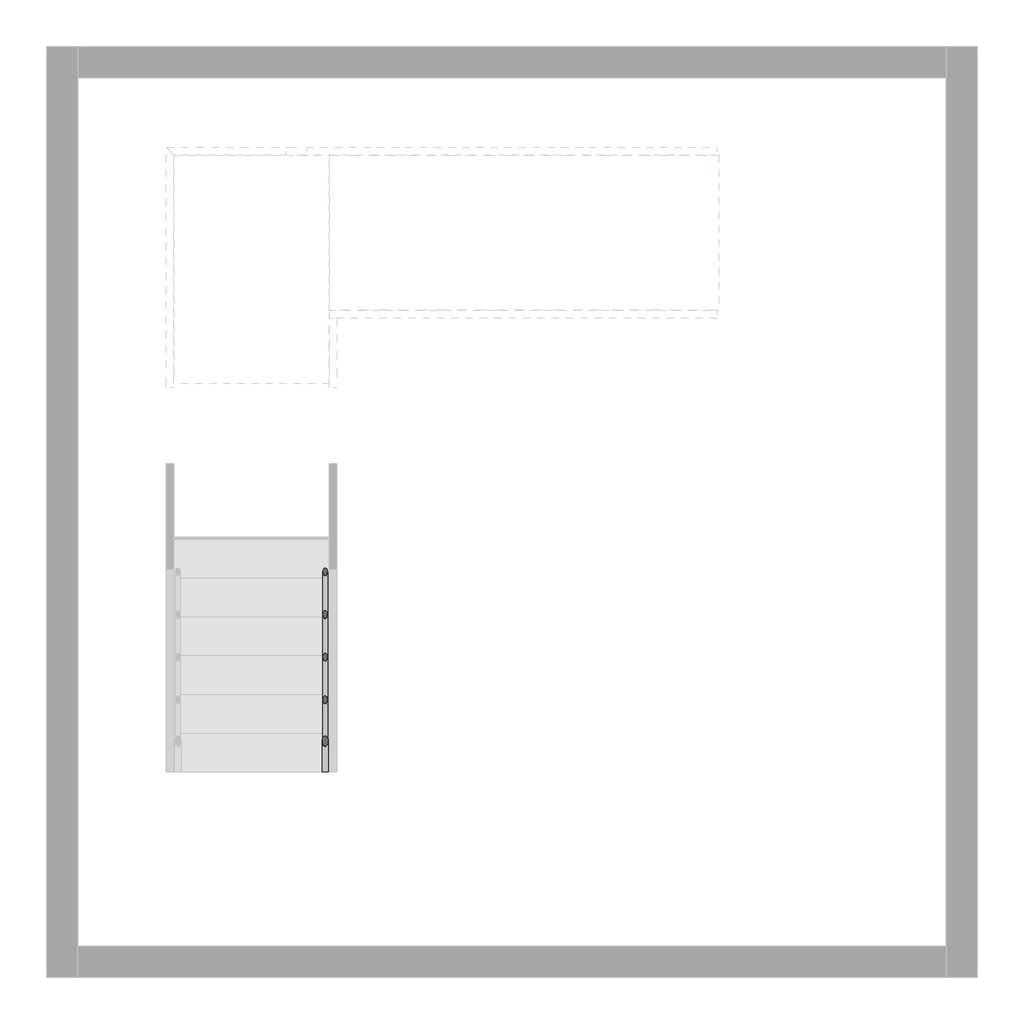
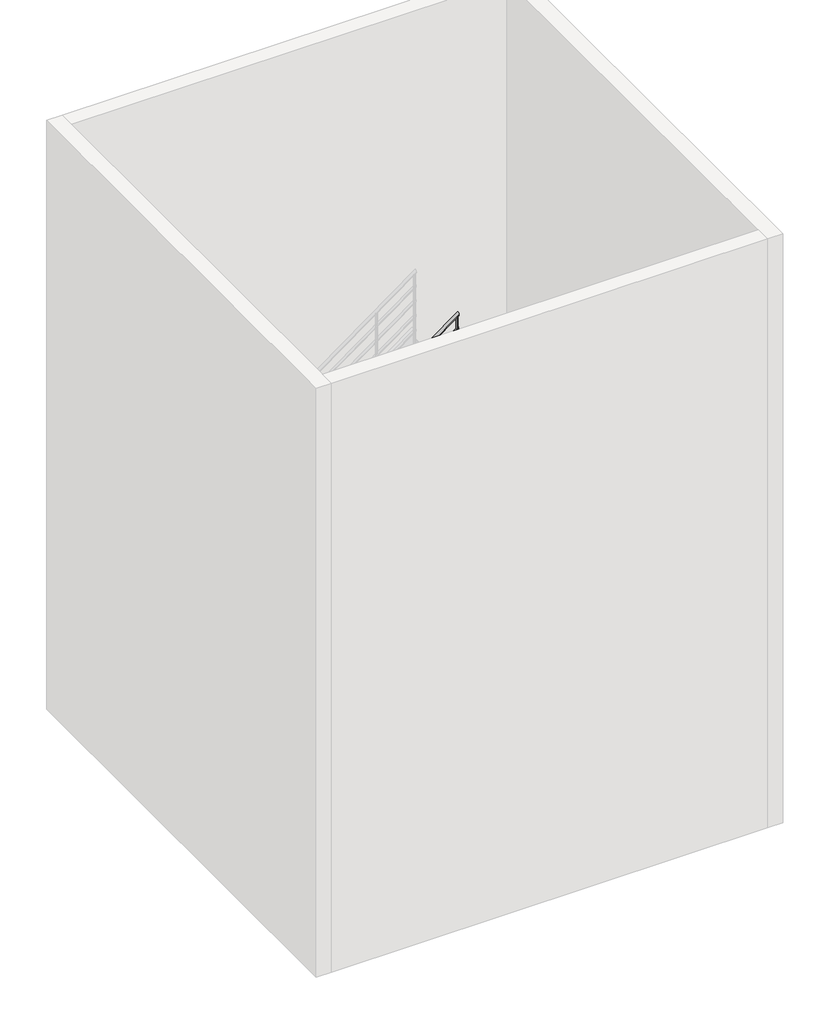
# One storey, part 5 of 7: 1 railing.
"""IFC4 building model written with IfcOpenShell, lengths in millimetres."""

import ifcopenshell
import ifcopenshell.guid

model = None  # the IFC model being written
_history = None  # IfcOwnerHistory: only IFC2X3 demands one
_inside = {}  # id of a spatial element -> (the spatial element, [elements in it])
_under = {}  # id of a project, library or spatial element -> (it, [spatial elements below it])
_declared = {}  # id of a project -> (the project, [libraries it declares])
_typed = {}  # id of a type object -> (the type object, [elements of that type])
_made_of = {}  # id of a material, layer set ... -> (it, [elements and type objects made of it])


def new_model(schema):
    """Start an empty IFC model of exactly this schema.

    Asked for "IFC4X3", IfcOpenShell would pick the latest addendum, in which some entities
    have other attributes; the version numbers below select the first issue.
    IFC2X3 requires an IfcOwnerHistory on every rooted entity: one is made here for all.
    """
    global model, _history
    if schema == "IFC4X3":
        model = ifcopenshell.file(schema_version=(4, 3, 0, 0))
    else:
        model = ifcopenshell.file(schema=schema)
    _inside.clear()
    _under.clear()
    _declared.clear()
    _typed.clear()
    _made_of.clear()
    _history = None
    if model.schema == "IFC2X3":
        org = make("IfcOrganization", Name="unknown")
        user = make(
            "IfcPersonAndOrganization",
            ThePerson=make("IfcPerson", FamilyName="unknown"),
            TheOrganization=org,
        )
        app = make(
            "IfcApplication",
            ApplicationDeveloper=org,
            Version="unknown",
            ApplicationFullName="unknown",
            ApplicationIdentifier="unknown",
        )
        _history = make(
            "IfcOwnerHistory",
            OwningUser=user,
            OwningApplication=app,
            ChangeAction="ADDED",
            CreationDate=0,
        )
    return model


def make(cls, **values):
    """One entity of the class cls with the attributes given. An attribute that is None is left unset."""
    return model.create_entity(
        cls, **{name: value for name, value in values.items() if value is not None}
    )


def rooted(cls, **values):
    """An entity with a GlobalId (a new one), such as an element, a storey or a relation."""
    return make(cls, GlobalId=ifcopenshell.guid.new(), OwnerHistory=_history, **values)


def si_unit(unit_type, name, prefix=None):
    """IfcSIUnit, for example si_unit("LENGTHUNIT", "METRE", prefix="MILLI")."""
    return make("IfcSIUnit", UnitType=unit_type, Prefix=prefix, Name=name)


def assignment(units):
    """IfcUnitAssignment: the units of a project."""
    return None if units is None else make("IfcUnitAssignment", Units=units)


def point(xyz):
    """IfcCartesianPoint."""
    return None if xyz is None else make("IfcCartesianPoint", Coordinates=xyz)


def direction(xyz):
    """IfcDirection."""
    return None if xyz is None else make("IfcDirection", DirectionRatios=xyz)


def frame(location, z_axis=None, x_axis=None):
    """IfcAxis2Placement3D, a coordinate frame: its origin and axes. An axis left out is left unset."""
    return make(
        "IfcAxis2Placement3D",
        Location=point(location),
        Axis=direction(z_axis),
        RefDirection=direction(x_axis),
    )


def frame_2d(location, x_axis=None):
    """IfcAxis2Placement2D, a coordinate frame in the plane: its origin and x axis."""
    return make(
        "IfcAxis2Placement2D", Location=point(location), RefDirection=direction(x_axis)
    )


def origin():
    """The frame at (0, 0, 0) with its axes left unset."""
    return frame((0.0, 0.0, 0.0))


def place(relative_to, where):
    """IfcLocalPlacement: puts the frame where relative to a parent placement (None: the world)."""
    return make(
        "IfcLocalPlacement", PlacementRelTo=relative_to, RelativePlacement=where
    )


def context(
    kind, dimensions, precision=None, world=None, true_north=None, identifier=None
):
    """IfcGeometricRepresentationContext, for example the 3D "Model" context."""
    return make(
        "IfcGeometricRepresentationContext",
        ContextIdentifier=identifier,
        ContextType=kind,
        CoordinateSpaceDimension=dimensions,
        Precision=precision,
        WorldCoordinateSystem=world,
        TrueNorth=true_north,
    )


def project(units=None, contexts=None):
    """IfcProject with its units and contexts."""
    return rooted(
        "IfcProject",
        Name="project",
        RepresentationContexts=contexts,
        UnitsInContext=assignment(units),
    )


def spatial(cls, under=None, at=None, **own):
    """A site, building, storey or space (cls), placed at a placement, below another one or the project."""
    s = rooted(cls, ObjectPlacement=at, **own)
    if under is not None:
        _under.setdefault(under.id(), (under, []))[1].append(s)
    return s


def circle_curve(where, radius):
    """IfcCircle in the frame where."""
    return make("IfcCircle", Position=where, Radius=radius)


def ellipse_curve(where, semi_axis1, semi_axis2):
    """IfcEllipse in the frame where."""
    return make(
        "IfcEllipse", Position=where, SemiAxis1=semi_axis1, SemiAxis2=semi_axis2
    )


def trimmed(basis, trim1, trim2, sense, master):
    """IfcTrimmedCurve: the piece of a basis curve between two trims."""
    return make(
        "IfcTrimmedCurve",
        BasisCurve=basis,
        Trim1=trim1,
        Trim2=trim2,
        SenseAgreement=sense,
        MasterRepresentation=master,
    )


def segment(curve, same_sense, transition):
    """IfcCompositeCurveSegment."""
    return make(
        "IfcCompositeCurveSegment",
        Transition=transition,
        SameSense=same_sense,
        ParentCurve=curve,
    )


def composite_curve(segments, self_intersect=None):
    """IfcCompositeCurve: segments joined end to end."""
    return make("IfcCompositeCurve", Segments=segments, SelfIntersect=self_intersect)


def outline(outer, holes=None, kind="AREA"):
    """IfcArbitraryClosedProfileDef: a profile drawn as a closed curve; with holes, ...WithVoids."""
    if holes is None:
        return make("IfcArbitraryClosedProfileDef", ProfileType=kind, OuterCurve=outer)
    return make(
        "IfcArbitraryProfileDefWithVoids",
        ProfileType=kind,
        OuterCurve=outer,
        InnerCurves=holes,
    )


def extrude(swept, where, along, depth):
    """IfcExtrudedAreaSolid: the profile swept, set in the frame where, extruded along a direction by depth."""
    return make(
        "IfcExtrudedAreaSolid",
        SweptArea=swept,
        Position=where,
        ExtrudedDirection=direction(along),
        Depth=depth,
    )


def shape(context_of_items, identifier, shape_type, items):
    """IfcShapeRepresentation: the items that make up one representation, for example the "Body"."""
    return make(
        "IfcShapeRepresentation",
        ContextOfItems=context_of_items,
        RepresentationIdentifier=identifier,
        RepresentationType=shape_type,
        Items=items,
    )


def made_of(thing, what):
    """Note that an element or type object is made of a material, layer set ...; save() writes the relation."""
    if what is not None:
        _made_of.setdefault(what.id(), (what, []))[1].append(thing)
    return thing


def element(
    cls,
    number,
    at=None,
    inside=None,
    cuts=None,
    type_object=None,
    material=None,
    context=None,
    identifier="Body",
    shape_type=None,
    held_by="IfcProductDefinitionShape",
    body=None,
    shapes=None,
    **own,
):
    """One element of the class cls, such as IfcWall. Its Tag is "e" and its number.

    at: its placement. inside: the storey or other place that contains it. cuts: it is an
    opening in that element (IfcRelVoidsElement). A single representation is given by context,
    identifier, shape_type and body (its items); several are given by shapes. held_by: the class
    of the entity that holds the representations. save() writes the other relations.
    """
    e = rooted(cls, Tag="e%d" % number, ObjectPlacement=at, **own)
    if body is not None:
        shapes = [shape(context, identifier, shape_type, body)]
    if shapes is not None:
        e.Representation = make(held_by, Representations=shapes)
    if inside is not None:
        _inside.setdefault(inside.id(), (inside, []))[1].append(e)
    if cuts is not None:
        rooted(
            "IfcRelVoidsElement", RelatingBuildingElement=cuts, RelatedOpeningElement=e
        )
    if type_object is not None:
        _typed.setdefault(type_object.id(), (type_object, []))[1].append(e)
    return made_of(e, material)


def aggregate(whole, parts):
    """IfcRelAggregates: a whole, such as a stair, and the parts it consists of."""
    return rooted("IfcRelAggregates", RelatingObject=whole, RelatedObjects=parts)


def save(model, path):
    """Write the relations noted so far, then the file.

    IfcRelAggregates (storeys below a building ...), IfcRelContainedInSpatialStructure (elements
    in a storey), IfcRelDefinesByType, IfcRelAssociatesMaterial and IfcRelDeclares: one each for
    every whole, place, type object, material and project.
    """
    for whole, parts in _under.values():
        aggregate(whole, parts)
    for where, things in _inside.values():
        rooted(
            "IfcRelContainedInSpatialStructure",
            RelatedElements=things,
            RelatingStructure=where,
        )
    for kind, things in _typed.values():
        rooted("IfcRelDefinesByType", RelatedObjects=things, RelatingType=kind)
    for what, things in _made_of.values():
        rooted("IfcRelAssociatesMaterial", RelatedObjects=things, RelatingMaterial=what)
    for by, libraries in _declared.values():
        rooted("IfcRelDeclares", RelatingContext=by, RelatedDefinitions=libraries)
    model.write(path)


def plane_surface(at):
    """IfcPlane: the flat surface through the origin of the frame at, square to its z axis."""
    return make("IfcPlane", Position=at)


def cylinder_surface(at, radius):
    """IfcCylindricalSurface: all points at the distance radius from the z axis of the frame at."""
    return make("IfcCylindricalSurface", Position=at, Radius=radius)


def advanced_brep(points, edges, surfaces, faces):
    """IfcAdvancedBrep: a solid bounded by faces that lie on surfaces and meet in shared edges.

    An edge is (start, end): straight between two places in points (the first is 0);
    or (start, end, curve); or (start, end, curve, False) where it runs against its curve.
    A face is (place in surfaces, loops), or (place, loops, False) where it looks against
    its surface's normal. A loop lists edges by number (the first is 1), with a minus sign
    where the edge is run from its end to its start. The first loop is the outer one.
    """
    corners = [point(p) for p in points]
    vertices = [make("IfcVertexPoint", VertexGeometry=c) for c in corners]
    made = []
    for start, end, *more in edges:
        made.append(
            make(
                "IfcEdgeCurve",
                EdgeStart=vertices[start],
                EdgeEnd=vertices[end],
                EdgeGeometry=more[0] if more else make("IfcPolyline", Points=[corners[start], corners[end]]),
                SameSense=more[1] if len(more) > 1 else True,
            )
        )
    hull = []
    for where, loops, *sense in faces:
        bounds = []
        for j, loop in enumerate(loops):
            ring = [make("IfcOrientedEdge", EdgeElement=made[abs(k) - 1], Orientation=k > 0) for k in loop]
            bounds.append(
                make(
                    "IfcFaceOuterBound" if j == 0 else "IfcFaceBound",
                    Bound=make("IfcEdgeLoop", EdgeList=ring),
                    Orientation=True,
                )
            )
        hull.append(make("IfcAdvancedFace", Bounds=bounds, FaceSurface=surfaces[where], SameSense=sense[0] if sense else True))
    return make("IfcAdvancedBrep", Outer=make("IfcClosedShell", CfsFaces=hull))


model = new_model("IFC4")

# Units and contexts
model_context = context("Model", 3, world=origin())
ifc_project = project(units=[si_unit("LENGTHUNIT", "METRE", prefix="MILLI")], contexts=[model_context])

# Site, building, storey
site = spatial("IfcSite", under=ifc_project)
building = spatial("IfcBuilding", under=site)
storey = spatial("IfcBuildingStorey", under=building, Elevation=0.0)

# Railing
placement = place(None, origin())
element("IfcRailing", 1, at=placement, inside=storey, context=model_context, shape_type="SolidModel", body=[
    advanced_brep(
    [(5674.1324543, -20822.7019092, 1057.0882354), (5634.1324543, -20822.7019092, 1057.0882354), (5674.1324543, -18316.198233, 2880.0), (5634.1324543, -18316.198233, 2880.0), (5674.1324543, -17822.8676251, 2880.0), (5634.1324543, -17822.8676251, 2880.0)],
    [
        (0, 1, ellipse_curve(frame((5654.1324543, -20822.7019092, 1057.0882354), z_axis=(0.0, -1.0, 0.0), x_axis=(0.0, 0.0, -1.0)), 24.7299464, 20.0)),
        (1, 0, ellipse_curve(frame((5654.1324543, -20822.7019092, 1057.0882354), z_axis=(0.0, -1.0, 0.0), x_axis=(0.0, 0.0, -1.0)), 24.7299464, 20.0)),
        (0, 2),
        (2, 3, ellipse_curve(frame((5654.1324543, -18316.198233, 2880.0), z_axis=(0.0, -0.9509826718461248, -0.3092441718907663), x_axis=(0.0, 0.309244171890767, -0.9509826718461245)), 21.0308774, 20.0)),
        (3, 1),
        (3, 2, ellipse_curve(frame((5654.1324543, -18316.198233, 2880.0), z_axis=(0.0, -0.9509826718461248, -0.3092441718907663), x_axis=(0.0, 0.309244171890767, -0.9509826718461245)), 21.0308774, 20.0)),
        (4, 5, ellipse_curve(frame((5654.1324543, -17822.8676251, 2880.0), z_axis=(0.0, 0.7071067811865476, 0.7071067811865476), x_axis=(0.0, -0.7071067811865474, 0.7071067811865478)), 28.2842712, 20.0)),
        (5, 4, ellipse_curve(frame((5654.1324543, -17822.8676251, 2880.0), z_axis=(0.0, 0.7071067811865476, 0.7071067811865476), x_axis=(0.0, -0.7071067811865474, 0.7071067811865478)), 28.2842712, 20.0)),
        (2, 4),
        (5, 3),
    ],
    [
        plane_surface(frame((5654.1324543, -20822.7019092, 1081.8181818), z_axis=(0.0, -1.0, 0.0), x_axis=(0.0, 0.0, 1.0))),
        cylinder_surface(frame((5654.1324543, -20810.9384753, 1065.6434601), z_axis=(0.0, -0.8087360843031884, -0.5881716976750465), x_axis=(-1.0, 0.0, 0.0)), 20.0),
        plane_surface(frame((5654.1324543, -17842.8676251, 2900.0), z_axis=(0.0, 0.7071067811865476, 0.7071067811865476), x_axis=(1.0, 0.0, 0.0))),
        cylinder_surface(frame((5654.1324543, -18322.7019092, 2880.0), z_axis=(0.0, -1.0, 0.0), x_axis=(-1.0, 0.0, 0.0)), 20.0),
    ],
    [
        (0, [[1, 2]]),
        (1, [[-1, 3, 4, 5]]),
        (1, [[-2, -5, 6, -3]]),
        (2, [[7, 8]]),
        (3, [[-4, 9, -8, 10]]),
        (3, [[-6, -10, -7, -9]]),
    ],
),
    advanced_brep(
    [(5674.1324543, -17822.8676251, 2880.0), (5634.1324543, -17822.8676251, 2880.0), (5674.1324543, -17822.8676251, 3028.4310163), (5634.1324543, -17822.8676251, 3048.8)],
    [
        (0, 1, ellipse_curve(frame((5654.1324543, -17822.8676251, 2880.0), z_axis=(0.0, -0.7071067811865476, -0.7071067811865476), x_axis=(0.0, 0.7071067811865476, -0.7071067811865474)), 28.2842712, 20.0)),
        (1, 0, ellipse_curve(frame((5654.1324543, -17822.8676251, 2880.0), z_axis=(0.0, -0.7071067811865476, -0.7071067811865476), x_axis=(0.0, 0.7071067811865476, -0.7071067811865474)), 28.2842712, 20.0)),
        (2, 3, ellipse_curve(frame((5654.1324543, -17822.8676251, 3038.6155082), z_axis=(0.45377764506691687, 0.0, 0.8911149470396753), x_axis=(0.8911149470396753, 0.0, -0.45377764506691665)), 22.4437937, 20.0)),
        (3, 2, ellipse_curve(frame((5654.1324543, -17822.8676251, 3038.6155082), z_axis=(0.45377764506691687, 0.0, 0.8911149470396753), x_axis=(0.8911149470396753, 0.0, -0.45377764506691665)), 22.4437937, 20.0)),
        (0, 2),
        (3, 1),
    ],
    [
        plane_surface(frame((5654.1324543, -17822.8676251, 2880.0), z_axis=(0.0, -0.7071067811865476, -0.7071067811865476), x_axis=(1.0, 0.0, 0.0))),
        plane_surface(frame((5654.1324543, -17822.8676251, 3038.6155082), z_axis=(0.45377764506691687, 0.0, 0.8911149470396753), x_axis=(0.8911149470396753, 0.0, -0.45377764506691687))),
        cylinder_surface(frame((5654.1324543, -17822.8676251, 2880.0), z_axis=(0.0, 0.0, -1.0), x_axis=(-1.0, 0.0, 0.0)), 20.0),
    ],
    [
        (0, [[1, 2]]),
        (1, [[3, 4]]),
        (2, [[-1, 5, -4, 6]]),
        (2, [[-2, -6, -3, -5]]),
    ],
),
    advanced_brep(
    [(5654.1324543, -17842.8676251, 3038.6155082), (5654.1324543, -17802.8676251, 3038.6155082), (8179.5324543, -17842.8676251, 4875.2700536), (8179.5324543, -17802.8676251, 4875.2700536)],
    [
        (0, 1, ellipse_curve(frame((5654.1324543, -17822.8676251, 3038.6155082), z_axis=(-0.45377764506691687, 0.0, -0.8911149470396753), x_axis=(-0.8911149470396752, 0.0, 0.4537776450669168)), 22.4437937, 20.0)),
        (1, 0, ellipse_curve(frame((5654.1324543, -17822.8676251, 3038.6155082), z_axis=(-0.45377764506691687, 0.0, -0.8911149470396753), x_axis=(-0.8911149470396752, 0.0, 0.4537776450669168)), 22.4437937, 20.0)),
        (2, 3, ellipse_curve(frame((8179.5324543, -17822.8676251, 4875.2700536), z_axis=(1.0, 0.0, 0.0), x_axis=(0.0, 0.0, -1.0)), 24.7299464, 20.0)),
        (3, 2, ellipse_curve(frame((8179.5324543, -17822.8676251, 4875.2700536), z_axis=(1.0, 0.0, 0.0), x_axis=(0.0, 0.0, -1.0)), 24.7299464, 20.0)),
        (0, 2),
        (3, 1),
    ],
    [
        plane_surface(frame((5634.1324543, -17822.8676251, 3048.8), z_axis=(-0.45377764506691687, 0.0, -0.8911149470396753), x_axis=(0.8911149470396753, 0.0, -0.45377764506691687))),
        plane_surface(frame((8179.5324543, -17822.8676251, 4900.0), z_axis=(1.0, 0.0, 0.0), x_axis=(0.0, 1.0, 0.0))),
        cylinder_surface(frame((5645.8958882, -17822.8676251, 3032.6252783), z_axis=(-0.8087360843031884, 0.0, -0.5881716976750465), x_axis=(0.0, 1.0, 0.0)), 20.0),
    ],
    [
        (0, [[1, 2]]),
        (1, [[3, 4]]),
        (2, [[-1, 5, -4, 6]]),
        (2, [[-2, -6, -3, -5]]),
    ],
),
    advanced_brep(
    [(5639.1324543, -20822.7019092, 863.270722), (5669.1324543, -20822.7019092, 863.270722), (5639.1324543, -18322.7019092, 2681.4525402), (5669.1324543, -18322.7019092, 2681.4525402)],
    [
        (0, 1, ellipse_curve(frame((5654.1324543, -20822.7019092, 863.270722), z_axis=(0.0, -1.0, 0.0), x_axis=(0.0, 0.0, -1.0)), 18.5474598, 15.0)),
        (1, 0, ellipse_curve(frame((5654.1324543, -20822.7019092, 863.270722), z_axis=(0.0, -1.0, 0.0), x_axis=(0.0, 0.0, -1.0)), 18.5474598, 15.0)),
        (2, 3, ellipse_curve(frame((5654.1324543, -18322.7019092, 2681.4525402), z_axis=(0.0, 1.0, 0.0), x_axis=(0.0, 0.0, -1.0)), 18.5474598, 15.0)),
        (3, 2, ellipse_curve(frame((5654.1324543, -18322.7019092, 2681.4525402), z_axis=(0.0, 1.0, 0.0), x_axis=(0.0, 0.0, -1.0)), 18.5474598, 15.0)),
        (0, 2),
        (3, 1),
    ],
    [
        plane_surface(frame((5654.1324543, -20822.7019092, 881.8181818), z_axis=(0.0, -1.0, 0.0), x_axis=(0.0, 0.0, 1.0))),
        plane_surface(frame((5654.1324543, -18322.7019092, 2700.0), z_axis=(0.0, 1.0, 0.0), x_axis=(0.0, 0.0, 1.0))),
        cylinder_surface(frame((5654.1324543, -20813.8793338, 869.6871406), z_axis=(0.0, -0.8087360843031884, -0.5881716976750465), x_axis=(1.0, 0.0, 0.0)), 15.0),
    ],
    [
        (0, [[1, 2]]),
        (1, [[3, 4]]),
        (2, [[-1, 5, -4, 6]]),
        (2, [[-2, -6, -3, -5]]),
    ],
),
    advanced_brep(
    [(5639.1324543, -18322.7019092, 2685.0), (5669.1324543, -18322.7019092, 2685.0), (5639.1324543, -17837.8676251, 2685.0), (5669.1324543, -17837.8676251, 2685.0)],
    [
        (0, 1, circle_curve(frame((5654.1324543, -18322.7019092, 2685.0), z_axis=(0.0, -1.0, 0.0), x_axis=(1.0, 0.0, 0.0)), 15.0)),
        (1, 0, circle_curve(frame((5654.1324543, -18322.7019092, 2685.0), z_axis=(0.0, -1.0, 0.0), x_axis=(1.0, 0.0, 0.0)), 15.0)),
        (2, 3, circle_curve(frame((5654.1324543, -17837.8676251, 2685.0), z_axis=(0.0, 1.0, 0.0), x_axis=(1.0, 0.0, 0.0)), 15.0)),
        (3, 2, circle_curve(frame((5654.1324543, -17837.8676251, 2685.0), z_axis=(0.0, 1.0, 0.0), x_axis=(1.0, 0.0, 0.0)), 15.0)),
        (0, 2),
        (3, 1),
    ],
    [
        plane_surface(frame((5654.1324543, -18322.7019092, 2700.0), z_axis=(0.0, -1.0, 0.0), x_axis=(0.0, 0.0, 1.0))),
        plane_surface(frame((5654.1324543, -17837.8676251, 2700.0), z_axis=(0.0, 1.0, 0.0), x_axis=(0.0, 0.0, 1.0))),
        cylinder_surface(frame((5654.1324543, -18322.7019092, 2685.0), z_axis=(0.0, -1.0, 0.0), x_axis=(1.0, 0.0, 0.0)), 15.0),
    ],
    [
        (0, [[1, 2]]),
        (1, [[3, 4]]),
        (2, [[-1, 5, -4, 6]]),
        (2, [[-2, -6, -3, -5]]),
    ],
),
    advanced_brep(
    [(5639.1324543, -17807.8676251, 2833.8889039), (5639.1324543, -17837.8676251, 2833.8889039), (8179.5324543, -17807.8676251, 4681.4525402), (8179.5324543, -17837.8676251, 4681.4525402)],
    [
        (0, 1, ellipse_curve(frame((5639.1324543, -17822.8676251, 2833.8889039), z_axis=(-1.0, 0.0, 0.0), x_axis=(0.0, 0.0, -1.0)), 18.5474598, 15.0)),
        (1, 0, ellipse_curve(frame((5639.1324543, -17822.8676251, 2833.8889039), z_axis=(-1.0, 0.0, 0.0), x_axis=(0.0, 0.0, -1.0)), 18.5474598, 15.0)),
        (2, 3, ellipse_curve(frame((8179.5324543, -17822.8676251, 4681.4525402), z_axis=(1.0, 0.0, 0.0), x_axis=(0.0, 0.0, -1.0)), 18.5474598, 15.0)),
        (3, 2, ellipse_curve(frame((8179.5324543, -17822.8676251, 4681.4525402), z_axis=(1.0, 0.0, 0.0), x_axis=(0.0, 0.0, -1.0)), 18.5474598, 15.0)),
        (0, 2),
        (3, 1),
    ],
    [
        plane_surface(frame((5639.1324543, -17822.8676251, 2852.4363636), z_axis=(-1.0, 0.0, 0.0), x_axis=(0.0, 1.0, 0.0))),
        plane_surface(frame((8179.5324543, -17822.8676251, 4700.0), z_axis=(1.0, 0.0, 0.0), x_axis=(0.0, 1.0, 0.0))),
        cylinder_surface(frame((5647.9550297, -17822.8676251, 2840.3053224), z_axis=(-0.8087360843031884, 0.0, -0.5881716976750465), x_axis=(0.0, -1.0, 0.0)), 15.0),
    ],
    [
        (0, [[1, 2]]),
        (1, [[3, 4]]),
        (2, [[-1, 5, -4, 6]]),
        (2, [[-2, -6, -3, -5]]),
    ],
),
    advanced_brep(
    [(5639.1324543, -20822.7019092, 663.270722), (5669.1324543, -20822.7019092, 663.270722), (5639.1324543, -18322.7019092, 2481.4525402), (5669.1324543, -18322.7019092, 2481.4525402)],
    [
        (0, 1, ellipse_curve(frame((5654.1324543, -20822.7019092, 663.270722), z_axis=(0.0, -1.0, 0.0), x_axis=(0.0, 0.0, -1.0)), 18.5474598, 15.0)),
        (1, 0, ellipse_curve(frame((5654.1324543, -20822.7019092, 663.270722), z_axis=(0.0, -1.0, 0.0), x_axis=(0.0, 0.0, -1.0)), 18.5474598, 15.0)),
        (2, 3, ellipse_curve(frame((5654.1324543, -18322.7019092, 2481.4525402), z_axis=(0.0, 1.0, 0.0), x_axis=(0.0, 0.0, -1.0)), 18.5474598, 15.0)),
        (3, 2, ellipse_curve(frame((5654.1324543, -18322.7019092, 2481.4525402), z_axis=(0.0, 1.0, 0.0), x_axis=(0.0, 0.0, -1.0)), 18.5474598, 15.0)),
        (0, 2),
        (3, 1),
    ],
    [
        plane_surface(frame((5654.1324543, -20822.7019092, 681.8181818), z_axis=(0.0, -1.0, 0.0), x_axis=(0.0, 0.0, 1.0))),
        plane_surface(frame((5654.1324543, -18322.7019092, 2500.0), z_axis=(0.0, 1.0, 0.0), x_axis=(0.0, 0.0, 1.0))),
        cylinder_surface(frame((5654.1324543, -20813.8793338, 669.6871406), z_axis=(0.0, -0.8087360843031884, -0.5881716976750465), x_axis=(1.0, 0.0, 0.0)), 15.0),
    ],
    [
        (0, [[1, 2]]),
        (1, [[3, 4]]),
        (2, [[-1, 5, -4, 6]]),
        (2, [[-2, -6, -3, -5]]),
    ],
),
    advanced_brep(
    [(5639.1324543, -18322.7019092, 2485.0), (5669.1324543, -18322.7019092, 2485.0), (5639.1324543, -17837.8676251, 2485.0), (5669.1324543, -17837.8676251, 2485.0)],
    [
        (0, 1, circle_curve(frame((5654.1324543, -18322.7019092, 2485.0), z_axis=(0.0, -1.0, 0.0), x_axis=(1.0, 0.0, 0.0)), 15.0)),
        (1, 0, circle_curve(frame((5654.1324543, -18322.7019092, 2485.0), z_axis=(0.0, -1.0, 0.0), x_axis=(1.0, 0.0, 0.0)), 15.0)),
        (2, 3, circle_curve(frame((5654.1324543, -17837.8676251, 2485.0), z_axis=(0.0, 1.0, 0.0), x_axis=(1.0, 0.0, 0.0)), 15.0)),
        (3, 2, circle_curve(frame((5654.1324543, -17837.8676251, 2485.0), z_axis=(0.0, 1.0, 0.0), x_axis=(1.0, 0.0, 0.0)), 15.0)),
        (0, 2),
        (3, 1),
    ],
    [
        plane_surface(frame((5654.1324543, -18322.7019092, 2500.0), z_axis=(0.0, -1.0, 0.0), x_axis=(0.0, 0.0, 1.0))),
        plane_surface(frame((5654.1324543, -17837.8676251, 2500.0), z_axis=(0.0, 1.0, 0.0), x_axis=(0.0, 0.0, 1.0))),
        cylinder_surface(frame((5654.1324543, -18322.7019092, 2485.0), z_axis=(0.0, -1.0, 0.0), x_axis=(1.0, 0.0, 0.0)), 15.0),
    ],
    [
        (0, [[1, 2]]),
        (1, [[3, 4]]),
        (2, [[-1, 5, -4, 6]]),
        (2, [[-2, -6, -3, -5]]),
    ],
),
    advanced_brep(
    [(5639.1324543, -17807.8676251, 2633.8889039), (5639.1324543, -17837.8676251, 2633.8889039), (8179.5324543, -17807.8676251, 4481.4525402), (8179.5324543, -17837.8676251, 4481.4525402)],
    [
        (0, 1, ellipse_curve(frame((5639.1324543, -17822.8676251, 2633.8889039), z_axis=(-1.0, 0.0, 0.0), x_axis=(0.0, 0.0, -1.0)), 18.5474598, 15.0)),
        (1, 0, ellipse_curve(frame((5639.1324543, -17822.8676251, 2633.8889039), z_axis=(-1.0, 0.0, 0.0), x_axis=(0.0, 0.0, -1.0)), 18.5474598, 15.0)),
        (2, 3, ellipse_curve(frame((8179.5324543, -17822.8676251, 4481.4525402), z_axis=(1.0, 0.0, 0.0), x_axis=(0.0, 0.0, -1.0)), 18.5474598, 15.0)),
        (3, 2, ellipse_curve(frame((8179.5324543, -17822.8676251, 4481.4525402), z_axis=(1.0, 0.0, 0.0), x_axis=(0.0, 0.0, -1.0)), 18.5474598, 15.0)),
        (0, 2),
        (3, 1),
    ],
    [
        plane_surface(frame((5639.1324543, -17822.8676251, 2652.4363636), z_axis=(-1.0, 0.0, 0.0), x_axis=(0.0, 1.0, 0.0))),
        plane_surface(frame((8179.5324543, -17822.8676251, 4500.0), z_axis=(1.0, 0.0, 0.0), x_axis=(0.0, 1.0, 0.0))),
        cylinder_surface(frame((5647.9550297, -17822.8676251, 2640.3053224), z_axis=(-0.8087360843031884, 0.0, -0.5881716976750465), x_axis=(0.0, -1.0, 0.0)), 15.0),
    ],
    [
        (0, [[1, 2]]),
        (1, [[3, 4]]),
        (2, [[-1, 5, -4, 6]]),
        (2, [[-2, -6, -3, -5]]),
    ],
),
    advanced_brep(
    [(5639.1324543, -20822.7019092, 463.270722), (5669.1324543, -20822.7019092, 463.270722), (5639.1324543, -18322.7019092, 2281.4525402), (5669.1324543, -18322.7019092, 2281.4525402)],
    [
        (0, 1, ellipse_curve(frame((5654.1324543, -20822.7019092, 463.270722), z_axis=(0.0, -1.0, 0.0), x_axis=(0.0, 0.0, -1.0)), 18.5474598, 15.0)),
        (1, 0, ellipse_curve(frame((5654.1324543, -20822.7019092, 463.270722), z_axis=(0.0, -1.0, 0.0), x_axis=(0.0, 0.0, -1.0)), 18.5474598, 15.0)),
        (2, 3, ellipse_curve(frame((5654.1324543, -18322.7019092, 2281.4525402), z_axis=(0.0, 1.0, 0.0), x_axis=(0.0, 0.0, -1.0)), 18.5474598, 15.0)),
        (3, 2, ellipse_curve(frame((5654.1324543, -18322.7019092, 2281.4525402), z_axis=(0.0, 1.0, 0.0), x_axis=(0.0, 0.0, -1.0)), 18.5474598, 15.0)),
        (0, 2),
        (3, 1),
    ],
    [
        plane_surface(frame((5654.1324543, -20822.7019092, 481.8181818), z_axis=(0.0, -1.0, 0.0), x_axis=(0.0, 0.0, 1.0))),
        plane_surface(frame((5654.1324543, -18322.7019092, 2300.0), z_axis=(0.0, 1.0, 0.0), x_axis=(0.0, 0.0, 1.0))),
        cylinder_surface(frame((5654.1324543, -20813.8793338, 469.6871406), z_axis=(0.0, -0.8087360843031884, -0.5881716976750465), x_axis=(1.0, 0.0, 0.0)), 15.0),
    ],
    [
        (0, [[1, 2]]),
        (1, [[3, 4]]),
        (2, [[-1, 5, -4, 6]]),
        (2, [[-2, -6, -3, -5]]),
    ],
),
    advanced_brep(
    [(5639.1324543, -18322.7019092, 2285.0), (5669.1324543, -18322.7019092, 2285.0), (5639.1324543, -17837.8676251, 2285.0), (5669.1324543, -17837.8676251, 2285.0)],
    [
        (0, 1, circle_curve(frame((5654.1324543, -18322.7019092, 2285.0), z_axis=(0.0, -1.0, 0.0), x_axis=(1.0, 0.0, 0.0)), 15.0)),
        (1, 0, circle_curve(frame((5654.1324543, -18322.7019092, 2285.0), z_axis=(0.0, -1.0, 0.0), x_axis=(1.0, 0.0, 0.0)), 15.0)),
        (2, 3, circle_curve(frame((5654.1324543, -17837.8676251, 2285.0), z_axis=(0.0, 1.0, 0.0), x_axis=(1.0, 0.0, 0.0)), 15.0)),
        (3, 2, circle_curve(frame((5654.1324543, -17837.8676251, 2285.0), z_axis=(0.0, 1.0, 0.0), x_axis=(1.0, 0.0, 0.0)), 15.0)),
        (0, 2),
        (3, 1),
    ],
    [
        plane_surface(frame((5654.1324543, -18322.7019092, 2300.0), z_axis=(0.0, -1.0, 0.0), x_axis=(0.0, 0.0, 1.0))),
        plane_surface(frame((5654.1324543, -17837.8676251, 2300.0), z_axis=(0.0, 1.0, 0.0), x_axis=(0.0, 0.0, 1.0))),
        cylinder_surface(frame((5654.1324543, -18322.7019092, 2285.0), z_axis=(0.0, -1.0, 0.0), x_axis=(1.0, 0.0, 0.0)), 15.0),
    ],
    [
        (0, [[1, 2]]),
        (1, [[3, 4]]),
        (2, [[-1, 5, -4, 6]]),
        (2, [[-2, -6, -3, -5]]),
    ],
),
    advanced_brep(
    [(5639.1324543, -17807.8676251, 2433.8889039), (5639.1324543, -17837.8676251, 2433.8889039), (8179.5324543, -17807.8676251, 4281.4525402), (8179.5324543, -17837.8676251, 4281.4525402)],
    [
        (0, 1, ellipse_curve(frame((5639.1324543, -17822.8676251, 2433.8889039), z_axis=(-1.0, 0.0, 0.0), x_axis=(0.0, 0.0, -1.0)), 18.5474598, 15.0)),
        (1, 0, ellipse_curve(frame((5639.1324543, -17822.8676251, 2433.8889039), z_axis=(-1.0, 0.0, 0.0), x_axis=(0.0, 0.0, -1.0)), 18.5474598, 15.0)),
        (2, 3, ellipse_curve(frame((8179.5324543, -17822.8676251, 4281.4525402), z_axis=(1.0, 0.0, 0.0), x_axis=(0.0, 0.0, -1.0)), 18.5474598, 15.0)),
        (3, 2, ellipse_curve(frame((8179.5324543, -17822.8676251, 4281.4525402), z_axis=(1.0, 0.0, 0.0), x_axis=(0.0, 0.0, -1.0)), 18.5474598, 15.0)),
        (0, 2),
        (3, 1),
    ],
    [
        plane_surface(frame((5639.1324543, -17822.8676251, 2452.4363636), z_axis=(-1.0, 0.0, 0.0), x_axis=(0.0, 1.0, 0.0))),
        plane_surface(frame((8179.5324543, -17822.8676251, 4300.0), z_axis=(1.0, 0.0, 0.0), x_axis=(0.0, 1.0, 0.0))),
        cylinder_surface(frame((5647.9550297, -17822.8676251, 2440.3053224), z_axis=(-0.8087360843031884, 0.0, -0.5881716976750465), x_axis=(0.0, -1.0, 0.0)), 15.0),
    ],
    [
        (0, [[1, 2]]),
        (1, [[3, 4]]),
        (2, [[-1, 5, -4, 6]]),
        (2, [[-2, -6, -3, -5]]),
    ],
),
    advanced_brep(
    [(5639.1324543, -20822.7019092, 263.270722), (5669.1324543, -20822.7019092, 263.270722), (5639.1324543, -18322.7019092, 2081.4525402), (5669.1324543, -18322.7019092, 2081.4525402)],
    [
        (0, 1, ellipse_curve(frame((5654.1324543, -20822.7019092, 263.270722), z_axis=(0.0, -1.0, 0.0), x_axis=(0.0, 0.0, -1.0)), 18.5474598, 15.0)),
        (1, 0, ellipse_curve(frame((5654.1324543, -20822.7019092, 263.270722), z_axis=(0.0, -1.0, 0.0), x_axis=(0.0, 0.0, -1.0)), 18.5474598, 15.0)),
        (2, 3, ellipse_curve(frame((5654.1324543, -18322.7019092, 2081.4525402), z_axis=(0.0, 1.0, 0.0), x_axis=(0.0, 0.0, -1.0)), 18.5474598, 15.0)),
        (3, 2, ellipse_curve(frame((5654.1324543, -18322.7019092, 2081.4525402), z_axis=(0.0, 1.0, 0.0), x_axis=(0.0, 0.0, -1.0)), 18.5474598, 15.0)),
        (0, 2),
        (3, 1),
    ],
    [
        plane_surface(frame((5654.1324543, -20822.7019092, 281.8181818), z_axis=(0.0, -1.0, 0.0), x_axis=(0.0, 0.0, 1.0))),
        plane_surface(frame((5654.1324543, -18322.7019092, 2100.0), z_axis=(0.0, 1.0, 0.0), x_axis=(0.0, 0.0, 1.0))),
        cylinder_surface(frame((5654.1324543, -20813.8793338, 269.6871406), z_axis=(0.0, -0.8087360843031884, -0.5881716976750465), x_axis=(1.0, 0.0, 0.0)), 15.0),
    ],
    [
        (0, [[1, 2]]),
        (1, [[3, 4]]),
        (2, [[-1, 5, -4, 6]]),
        (2, [[-2, -6, -3, -5]]),
    ],
),
    advanced_brep(
    [(5639.1324543, -18322.7019092, 2085.0), (5669.1324543, -18322.7019092, 2085.0), (5639.1324543, -17837.8676251, 2085.0), (5669.1324543, -17837.8676251, 2085.0)],
    [
        (0, 1, circle_curve(frame((5654.1324543, -18322.7019092, 2085.0), z_axis=(0.0, -1.0, 0.0), x_axis=(1.0, 0.0, 0.0)), 15.0)),
        (1, 0, circle_curve(frame((5654.1324543, -18322.7019092, 2085.0), z_axis=(0.0, -1.0, 0.0), x_axis=(1.0, 0.0, 0.0)), 15.0)),
        (2, 3, circle_curve(frame((5654.1324543, -17837.8676251, 2085.0), z_axis=(0.0, 1.0, 0.0), x_axis=(1.0, 0.0, 0.0)), 15.0)),
        (3, 2, circle_curve(frame((5654.1324543, -17837.8676251, 2085.0), z_axis=(0.0, 1.0, 0.0), x_axis=(1.0, 0.0, 0.0)), 15.0)),
        (0, 2),
        (3, 1),
    ],
    [
        plane_surface(frame((5654.1324543, -18322.7019092, 2100.0), z_axis=(0.0, -1.0, 0.0), x_axis=(0.0, 0.0, 1.0))),
        plane_surface(frame((5654.1324543, -17837.8676251, 2100.0), z_axis=(0.0, 1.0, 0.0), x_axis=(0.0, 0.0, 1.0))),
        cylinder_surface(frame((5654.1324543, -18322.7019092, 2085.0), z_axis=(0.0, -1.0, 0.0), x_axis=(1.0, 0.0, 0.0)), 15.0),
    ],
    [
        (0, [[1, 2]]),
        (1, [[3, 4]]),
        (2, [[-1, 5, -4, 6]]),
        (2, [[-2, -6, -3, -5]]),
    ],
),
    advanced_brep(
    [(5639.1324543, -17807.8676251, 2233.8889039), (5639.1324543, -17837.8676251, 2233.8889039), (8179.5324543, -17807.8676251, 4081.4525402), (8179.5324543, -17837.8676251, 4081.4525402)],
    [
        (0, 1, ellipse_curve(frame((5639.1324543, -17822.8676251, 2233.8889039), z_axis=(-1.0, 0.0, 0.0), x_axis=(0.0, 0.0, -1.0)), 18.5474598, 15.0)),
        (1, 0, ellipse_curve(frame((5639.1324543, -17822.8676251, 2233.8889039), z_axis=(-1.0, 0.0, 0.0), x_axis=(0.0, 0.0, -1.0)), 18.5474598, 15.0)),
        (2, 3, ellipse_curve(frame((8179.5324543, -17822.8676251, 4081.4525402), z_axis=(1.0, 0.0, 0.0), x_axis=(0.0, 0.0, -1.0)), 18.5474598, 15.0)),
        (3, 2, ellipse_curve(frame((8179.5324543, -17822.8676251, 4081.4525402), z_axis=(1.0, 0.0, 0.0), x_axis=(0.0, 0.0, -1.0)), 18.5474598, 15.0)),
        (0, 2),
        (3, 1),
    ],
    [
        plane_surface(frame((5639.1324543, -17822.8676251, 2252.4363636), z_axis=(-1.0, 0.0, 0.0), x_axis=(0.0, 1.0, 0.0))),
        plane_surface(frame((8179.5324543, -17822.8676251, 4100.0), z_axis=(1.0, 0.0, 0.0), x_axis=(0.0, 1.0, 0.0))),
        cylinder_surface(frame((5647.9550297, -17822.8676251, 2240.3053224), z_axis=(-0.8087360843031884, 0.0, -0.5881716976750465), x_axis=(0.0, -1.0, 0.0)), 15.0),
    ],
    [
        (0, [[1, 2]]),
        (1, [[3, 4]]),
        (2, [[-1, 5, -4, 6]]),
        (2, [[-2, -6, -3, -5]]),
    ],
),
    advanced_brep(
    [(7654.1324543, -17835.3676251, 4468.4310163), (7654.1324543, -17835.3676251, 3454.5454545), (7654.1324543, -17810.3676251, 3454.5454545), (7654.1324543, -17810.3676251, 4468.4310163)],
    [
        (0, 1),
        (1, 2, circle_curve(frame((7654.1324543, -17822.8676251, 3454.5454545), z_axis=(0.0, 0.0, 1.0), x_axis=(0.0, 1.0, 0.0)), 12.5)),
        (2, 3),
        (3, 0, ellipse_curve(frame((7654.1324543, -17822.8676251, 4468.4310163), z_axis=(0.5881716976750468, 0.0, -0.8087360843031881), x_axis=(0.8087360843031881, 0.0, 0.5881716976750467)), 15.4562165, 12.5)),
        (0, 3, ellipse_curve(frame((7654.1324543, -17822.8676251, 4468.4310163), z_axis=(0.5881716976750468, 0.0, -0.8087360843031881), x_axis=(0.8087360843031881, 0.0, 0.5881716976750467)), 15.4562165, 12.5)),
        (2, 1, circle_curve(frame((7654.1324543, -17822.8676251, 3454.5454545), z_axis=(0.0, 0.0, 1.0), x_axis=(0.0, 1.0, 0.0)), 12.5)),
    ],
    [
        cylinder_surface(frame((7654.1324543, -17822.8676251, 3354.5454545), z_axis=(0.0, 0.0, 1.0), x_axis=(0.0, 1.0, 0.0)), 12.5),
        plane_surface(frame((7679.1324543, -17797.8676251, 4486.6128345), z_axis=(-0.5881716976750468, 0.0, 0.8087360843031881), x_axis=(0.0, -1.0, 0.0))),
        plane_surface(frame((7629.1324543, -17797.8676251, 3454.5454545), z_axis=(0.0, 0.0, -1.0), x_axis=(0.0, -1.0, 0.0))),
    ],
    [
        (0, [[1, 2, 3, 4]]),
        (0, [[-1, 5, -3, 6]]),
        (1, [[-4, -5]]),
        (2, [[-2, -6]]),
    ],
),
    advanced_brep(
    [(6654.1324543, -17835.3676251, 3741.1582891), (6654.1324543, -17835.3676251, 2727.2727273), (6654.1324543, -17810.3676251, 2727.2727273), (6654.1324543, -17810.3676251, 3741.1582891)],
    [
        (0, 1),
        (1, 2, circle_curve(frame((6654.1324543, -17822.8676251, 2727.2727273), z_axis=(0.0, 0.0, 1.0), x_axis=(0.0, 1.0, 0.0)), 12.5)),
        (2, 3),
        (3, 0, ellipse_curve(frame((6654.1324543, -17822.8676251, 3741.1582891), z_axis=(0.5881716976750468, 0.0, -0.8087360843031881), x_axis=(0.8087360843031881, 0.0, 0.5881716976750467)), 15.4562165, 12.5)),
        (0, 3, ellipse_curve(frame((6654.1324543, -17822.8676251, 3741.1582891), z_axis=(0.5881716976750468, 0.0, -0.8087360843031881), x_axis=(0.8087360843031881, 0.0, 0.5881716976750467)), 15.4562165, 12.5)),
        (2, 1, circle_curve(frame((6654.1324543, -17822.8676251, 2727.2727273), z_axis=(0.0, 0.0, 1.0), x_axis=(0.0, 1.0, 0.0)), 12.5)),
    ],
    [
        cylinder_surface(frame((6654.1324543, -17822.8676251, 2627.2727273), z_axis=(0.0, 0.0, 1.0), x_axis=(0.0, 1.0, 0.0)), 12.5),
        plane_surface(frame((6679.1324543, -17797.8676251, 3759.3401072), z_axis=(-0.5881716976750468, 0.0, 0.8087360843031881), x_axis=(0.0, -1.0, 0.0))),
        plane_surface(frame((6629.1324543, -17797.8676251, 2727.2727273), z_axis=(0.0, 0.0, -1.0), x_axis=(0.0, -1.0, 0.0))),
    ],
    [
        (0, [[1, 2, 3, 4]]),
        (0, [[-1, 5, -3, 6]]),
        (1, [[-4, -5]]),
        (2, [[-2, -6]]),
    ],
),
    advanced_brep(
    [(5666.6324543, -18822.7019092, 2486.9037436), (5666.6324543, -18822.7019092, 1636.3636364), (5641.6324543, -18822.7019092, 1636.3636364), (5641.6324543, -18822.7019092, 2486.9037436)],
    [
        (0, 1),
        (1, 2, circle_curve(frame((5654.1324543, -18822.7019092, 1636.3636364), z_axis=(0.0, 0.0, 1.0), x_axis=(-1.0, 0.0, 0.0)), 12.5)),
        (2, 3),
        (3, 0, ellipse_curve(frame((5654.1324543, -18822.7019092, 2486.9037436), z_axis=(0.0, 0.5881716976750454, -0.8087360843031891), x_axis=(0.0, 0.8087360843031891, 0.5881716976750453)), 15.4562165, 12.5)),
        (0, 3, ellipse_curve(frame((5654.1324543, -18822.7019092, 2486.9037436), z_axis=(0.0, 0.5881716976750454, -0.8087360843031891), x_axis=(0.0, 0.8087360843031891, 0.5881716976750453)), 15.4562165, 12.5)),
        (2, 1, circle_curve(frame((5654.1324543, -18822.7019092, 1636.3636364), z_axis=(0.0, 0.0, 1.0), x_axis=(-1.0, 0.0, 0.0)), 12.5)),
    ],
    [
        cylinder_surface(frame((5654.1324543, -18822.7019092, 1536.3636364), z_axis=(0.0, 0.0, 1.0), x_axis=(-1.0, 0.0, 0.0)), 12.5),
        plane_surface(frame((5629.1324543, -18797.7019092, 2505.0855618), z_axis=(0.0, -0.5881716976750454, 0.8087360843031891), x_axis=(1.0, 0.0, 0.0))),
        plane_surface(frame((5629.1324543, -18847.7019092, 1636.3636364), z_axis=(0.0, 0.0, -1.0), x_axis=(1.0, 0.0, 0.0))),
    ],
    [
        (0, [[1, 2, 3, 4]]),
        (0, [[-1, 5, -3, 6]]),
        (1, [[-4, -5]]),
        (2, [[-2, -6]]),
    ],
),
    advanced_brep(
    [(5666.6324543, -19822.7019092, 1759.6310163), (5666.6324543, -19822.7019092, 909.0909091), (5641.6324543, -19822.7019092, 909.0909091), (5641.6324543, -19822.7019092, 1759.6310163)],
    [
        (0, 1),
        (1, 2, circle_curve(frame((5654.1324543, -19822.7019092, 909.0909091), z_axis=(0.0, 0.0, 1.0), x_axis=(-1.0, 0.0, 0.0)), 12.5)),
        (2, 3),
        (3, 0, ellipse_curve(frame((5654.1324543, -19822.7019092, 1759.6310163), z_axis=(0.0, 0.5881716976750454, -0.8087360843031891), x_axis=(0.0, 0.8087360843031891, 0.5881716976750453)), 15.4562165, 12.5)),
        (0, 3, ellipse_curve(frame((5654.1324543, -19822.7019092, 1759.6310163), z_axis=(0.0, 0.5881716976750454, -0.8087360843031891), x_axis=(0.0, 0.8087360843031891, 0.5881716976750453)), 15.4562165, 12.5)),
        (2, 1, circle_curve(frame((5654.1324543, -19822.7019092, 909.0909091), z_axis=(0.0, 0.0, 1.0), x_axis=(-1.0, 0.0, 0.0)), 12.5)),
    ],
    [
        cylinder_surface(frame((5654.1324543, -19822.7019092, 809.0909091), z_axis=(0.0, 0.0, 1.0), x_axis=(-1.0, 0.0, 0.0)), 12.5),
        plane_surface(frame((5629.1324543, -19797.7019092, 1777.8128345), z_axis=(0.0, -0.5881716976750454, 0.8087360843031891), x_axis=(1.0, 0.0, 0.0))),
        plane_surface(frame((5629.1324543, -19847.7019092, 909.0909091), z_axis=(0.0, 0.0, -1.0), x_axis=(1.0, 0.0, 0.0))),
    ],
    [
        (0, [[1, 2, 3, 4]]),
        (0, [[-1, 5, -3, 6]]),
        (1, [[-4, -5]]),
        (2, [[-2, -6]]),
    ],
),
    extrude(outline(composite_curve([segment(trimmed(circle_curve(frame_2d((5654.1324543, -17822.8676251)), 12.5), [point((5641.6324543, -17822.8676251))], [point((5666.6324543, -17822.8676251))], False, "CARTESIAN"), True, "CONTINUOUS"), segment(trimmed(circle_curve(frame_2d((5654.1324543, -17822.8676251)), 12.5), [point((5666.6324543, -17822.8676251))], [point((5641.6324543, -17822.8676251))], False, "CARTESIAN"), True, "CONTINUOUS")], self_intersect=False)), frame((0.0, 0.0, 2000.0), z_axis=(0.0, 0.0, 1.0), x_axis=(1.0, 0.0, 0.0)), (0.0, 0.0, 1.0), 860.0),
    advanced_brep(
    [(5666.6324543, -18322.7019092, 2850.5401072), (5666.6324543, -18322.7019092, 2000.0), (5641.6324543, -18322.7019092, 2000.0), (5641.6324543, -18322.7019092, 2850.5401072)],
    [
        (0, 1),
        (1, 2, circle_curve(frame((5654.1324543, -18322.7019092, 2000.0), z_axis=(0.0, 0.0, 1.0), x_axis=(-1.0, 0.0, 0.0)), 12.5)),
        (2, 3),
        (3, 0, ellipse_curve(frame((5654.1324543, -18322.7019092, 2850.5401072), z_axis=(0.0, 0.5881716976750454, -0.8087360843031891), x_axis=(0.0, 0.8087360843031891, 0.5881716976750453)), 15.4562165, 12.5)),
        (0, 3, ellipse_curve(frame((5654.1324543, -18322.7019092, 2850.5401072), z_axis=(0.0, 0.5881716976750454, -0.8087360843031891), x_axis=(0.0, 0.8087360843031891, 0.5881716976750453)), 15.4562165, 12.5)),
        (2, 1, circle_curve(frame((5654.1324543, -18322.7019092, 2000.0), z_axis=(0.0, 0.0, 1.0), x_axis=(-1.0, 0.0, 0.0)), 12.5)),
    ],
    [
        cylinder_surface(frame((5654.1324543, -18322.7019092, 1900.0), z_axis=(0.0, 0.0, 1.0), x_axis=(-1.0, 0.0, 0.0)), 12.5),
        plane_surface(frame((5629.1324543, -18297.7019092, 2868.7219254), z_axis=(0.0, -0.5881716976750454, 0.8087360843031891), x_axis=(1.0, 0.0, 0.0))),
        plane_surface(frame((5629.1324543, -18347.7019092, 2000.0), z_axis=(0.0, 0.0, -1.0), x_axis=(1.0, 0.0, 0.0))),
    ],
    [
        (0, [[1, 2, 3, 4]]),
        (0, [[-1, 5, -3, 6]]),
        (1, [[-4, -5]]),
        (2, [[-2, -6]]),
    ],
),
    advanced_brep(
    [(8167.0324543, -17835.3676251, 4841.4491982), (8167.0324543, -17835.3676251, 3818.1818182), (8167.0324543, -17810.3676251, 3818.1818182), (8167.0324543, -17810.3676251, 4841.4491982)],
    [
        (0, 1),
        (1, 2, circle_curve(frame((8167.0324543, -17822.8676251, 3818.1818182), z_axis=(0.0, 0.0, 1.0), x_axis=(0.0, 1.0, 0.0)), 12.5)),
        (2, 3),
        (3, 0, ellipse_curve(frame((8167.0324543, -17822.8676251, 4841.4491982), z_axis=(0.5881716976750454, 0.0, -0.8087360843031891), x_axis=(0.8087360843031891, 0.0, 0.5881716976750453)), 15.4562165, 12.5)),
        (0, 3, ellipse_curve(frame((8167.0324543, -17822.8676251, 4841.4491982), z_axis=(0.5881716976750454, 0.0, -0.8087360843031891), x_axis=(0.8087360843031891, 0.0, 0.5881716976750453)), 15.4562165, 12.5)),
        (2, 1, circle_curve(frame((8167.0324543, -17822.8676251, 3818.1818182), z_axis=(0.0, 0.0, 1.0), x_axis=(0.0, 1.0, 0.0)), 12.5)),
    ],
    [
        cylinder_surface(frame((8167.0324543, -17822.8676251, 3718.1818182), z_axis=(0.0, 0.0, 1.0), x_axis=(0.0, 1.0, 0.0)), 12.5),
        plane_surface(frame((8192.0324543, -17797.8676251, 4859.6310163), z_axis=(-0.5881716976750454, 0.0, 0.8087360843031891), x_axis=(0.0, -1.0, 0.0))),
        plane_surface(frame((8142.0324543, -17797.8676251, 3818.1818182), z_axis=(0.0, 0.0, -1.0), x_axis=(0.0, -1.0, 0.0))),
    ],
    [
        (0, [[1, 2, 3, 4]]),
        (0, [[-1, 5, -3, 6]]),
        (1, [[-4, -5]]),
        (2, [[-2, -6]]),
    ],
),
    advanced_brep(
    [(5666.6324543, -20810.2019092, 1041.4491982), (5666.6324543, -20810.2019092, 181.8181818), (5641.6324543, -20810.2019092, 181.8181818), (5641.6324543, -20810.2019092, 1041.4491982)],
    [
        (0, 1),
        (1, 2, circle_curve(frame((5654.1324543, -20810.2019092, 181.8181818), z_axis=(0.0, 0.0, 1.0), x_axis=(-1.0, 0.0, 0.0)), 12.5)),
        (2, 3),
        (3, 0, ellipse_curve(frame((5654.1324543, -20810.2019092, 1041.4491982), z_axis=(0.0, 0.5881716976750468, -0.8087360843031881), x_axis=(0.0, 0.8087360843031881, 0.5881716976750467)), 15.4562165, 12.5)),
        (0, 3, ellipse_curve(frame((5654.1324543, -20810.2019092, 1041.4491982), z_axis=(0.0, 0.5881716976750468, -0.8087360843031881), x_axis=(0.0, 0.8087360843031881, 0.5881716976750467)), 15.4562165, 12.5)),
        (2, 1, circle_curve(frame((5654.1324543, -20810.2019092, 181.8181818), z_axis=(0.0, 0.0, 1.0), x_axis=(-1.0, 0.0, 0.0)), 12.5)),
    ],
    [
        cylinder_surface(frame((5654.1324543, -20810.2019092, 81.8181818), z_axis=(0.0, 0.0, 1.0), x_axis=(-1.0, 0.0, 0.0)), 12.5),
        plane_surface(frame((5629.1324543, -20785.2019092, 1059.6310163), z_axis=(0.0, -0.5881716976750468, 0.8087360843031881), x_axis=(1.0, 0.0, 0.0))),
        plane_surface(frame((5629.1324543, -20835.2019092, 181.8181818), z_axis=(0.0, 0.0, -1.0), x_axis=(1.0, 0.0, 0.0))),
    ],
    [
        (0, [[1, 2, 3, 4]]),
        (0, [[-1, 5, -3, 6]]),
        (1, [[-4, -5]]),
        (2, [[-2, -6]]),
    ],
),
])

save(model, "model.ifc")
